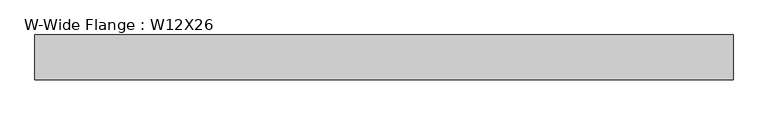
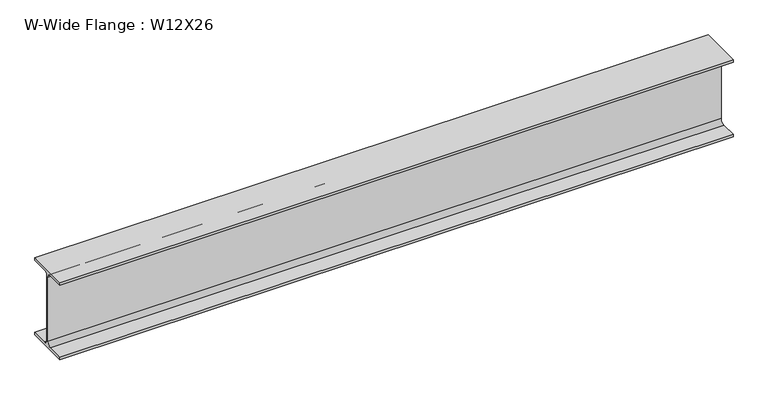
"""IFC4 building model written with IfcOpenShell, lengths in millimetres: beam geometry, W-Wide Flange : W12X26."""

from ifc_helpers import new_model, si_unit, point, frame, frame_2d, origin, place, context, project, spatial, polyline, circle_curve, trimmed, segment, composite_curve, outline, extrude, source, transform, mapped, element, save


def w_wide_flange_w12x26_b4505b82(model_context):
    return source(origin(), model_context, "Body", "SweptSolid", [
        extrude(outline(composite_curve([segment(polyline([(82.4011719, -145.5539063), (82.4011719, -155.178125), (-82.4011719, -155.178125), (-82.4011719, -145.5539063), (-20.2902344, -145.5539063)]), True, "CONTINUOUS"), segment(trimmed(circle_curve(frame_2d((-20.2902344, -128.190625)), 17.3632812), [point((-20.2902344, -145.5539063))], [point((-2.9269531, -128.190625))], True, "CARTESIAN"), True, "CONTINUOUS"), segment(polyline([(-2.9269531, -128.190625), (-2.9269531, 128.190625)]), True, "CONTINUOUS"), segment(trimmed(circle_curve(frame_2d((-20.2902344, 128.190625)), 17.3632812), [point((-2.9269531, 128.190625))], [point((-20.2902344, 145.5539062))], True, "CARTESIAN"), True, "CONTINUOUS"), segment(polyline([(-20.2902344, 145.5539062), (-82.4011719, 145.5539062), (-82.4011719, 155.178125), (82.4011719, 155.178125), (82.4011719, 145.5539062), (20.2902344, 145.5539062)]), True, "CONTINUOUS"), segment(trimmed(circle_curve(frame_2d((20.2902344, 128.190625)), 17.3632812), [point((20.2902344, 145.5539062))], [point((2.9269531, 128.190625))], True, "CARTESIAN"), True, "CONTINUOUS"), segment(polyline([(2.9269531, 128.190625), (2.9269531, -128.190625)]), True, "CONTINUOUS"), segment(trimmed(circle_curve(frame_2d((20.2902344, -128.190625)), 17.3632812), [point((2.9269531, -128.190625))], [point((20.2902344, -145.5539063))], True, "CARTESIAN"), True, "CONTINUOUS"), segment(polyline([(20.2902344, -145.5539063), (82.4011719, -145.5539063)]), True, "CONTINUOUS")], self_intersect=False)), frame((-1282.7, 0.0, 0.0), z_axis=(1.0, 0.0, 0.0), x_axis=(0.0, 1.0, 0.0)), (0.0, 0.0, 1.0), 2565.4),
    ])


if __name__ == "__main__":
    model = new_model("IFC4")
    model_context = context("Model", 3, world=origin())
    ifc_project = project(units=[si_unit("LENGTHUNIT", "METRE", prefix="MILLI")], contexts=[model_context])
    site = spatial("IfcSite", under=ifc_project)
    building = spatial("IfcBuilding", under=site)
    placement = place(None, origin())
    w_wide_flange_w12x26_shape = w_wide_flange_w12x26_b4505b82(model_context)
    element("IfcBeam", 1, ObjectType="W-Wide Flange : W12X26", at=placement, inside=building, context=model_context, shape_type="MappedRepresentation", body=[
        mapped(w_wide_flange_w12x26_shape, transform((0.0, 0.0, 0.0), x_axis=(1.0, 0.0, 0.0), y_axis=(0.0, 1.0, 0.0), z_axis=(0.0, 0.0, 1.0))),
    ])
    save(model, "model.ifc")
